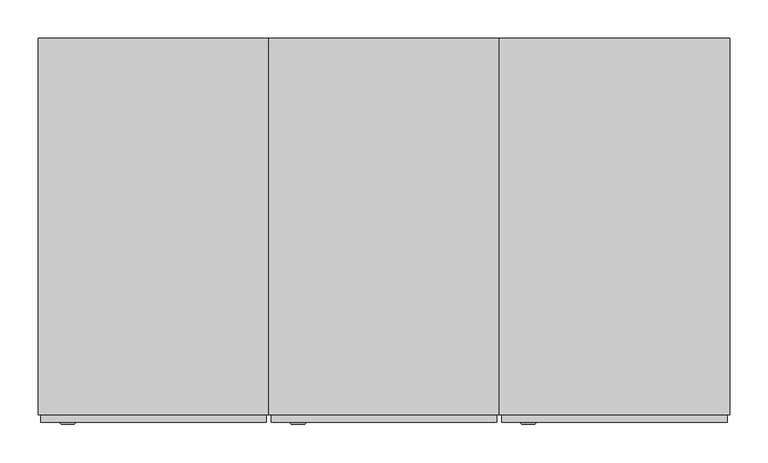
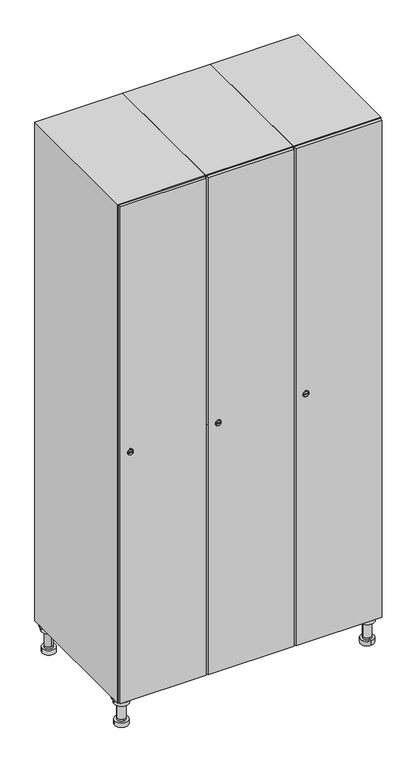
"""IFC4 building model written with IfcOpenShell, lengths in millimetres: furniture geometry."""

from ifc_helpers import new_model, si_unit, point, frame, frame_2d, origin, place, context, project, spatial, polyline, circle_curve, trimmed, segment, composite_curve, outline, extrude, faceted_brep, source, transform, mapped, element, save
from ifc_brep_helpers import plane_surface, cylinder_surface, revolved_surface, advanced_brep


def furniture_6ea72704(model_context):
    return source(origin(), model_context, "Body", "SolidModel", [
        advanced_brep(
        [(670.0, -201.0, 22.0), (670.0, -201.5, 16.0), (670.0, -228.5, 16.0), (670.0, -229.0, 22.0), (656.0, -215.0, 22.0), (684.0, -215.0, 22.0), (670.0, -192.5, 16.0), (670.0, -237.5, 16.0), (670.0, -192.5, 0.0), (670.0, -237.5, 0.0), (684.0, -215.0, 78.0), (656.0, -215.0, 78.0), (695.0, -215.0, 78.0), (645.0, -215.0, 78.0), (700.0, -215.0, 94.0), (640.0, -215.0, 94.0), (645.0, -215.0, 94.0), (695.0, -215.0, 94.0), (700.0, -215.0, 100.0), (640.0, -215.0, 100.0)],
        [
            (0, 1),
            (1, 2, circle_curve(frame((670.0, -215.0, 16.0), z_axis=(0.0, 0.0, 1.0), x_axis=(0.0, -1.0, 0.0)), 13.5)),
            (2, 3),
            (3, 4, circle_curve(frame((670.0, -215.0, 22.0), z_axis=(0.0, 0.0, -1.0), x_axis=(0.0, -1.0, 0.0)), 14.0)),
            (4, 0, circle_curve(frame((670.0, -215.0, 22.0), z_axis=(0.0, 0.0, -1.0), x_axis=(0.0, -1.0, 0.0)), 14.0)),
            (0, 5, circle_curve(frame((670.0, -215.0, 22.0), z_axis=(0.0, 0.0, -1.0), x_axis=(0.0, 1.0, 0.0)), 14.0)),
            (5, 3, circle_curve(frame((670.0, -215.0, 22.0), z_axis=(0.0, 0.0, -1.0), x_axis=(0.0, 1.0, 0.0)), 14.0)),
            (2, 1, circle_curve(frame((670.0, -215.0, 16.0), z_axis=(0.0, 0.0, 1.0), x_axis=(0.0, 1.0, 0.0)), 13.5)),
            (6, 7, circle_curve(frame((670.0, -215.0, 16.0), z_axis=(0.0, 0.0, 1.0), x_axis=(0.0, -1.0, 0.0)), 22.5)),
            (7, 6, circle_curve(frame((670.0, -215.0, 16.0), z_axis=(0.0, 0.0, 1.0), x_axis=(0.0, -1.0, 0.0)), 22.5)),
            (8, 9, circle_curve(frame((670.0, -215.0, 0.0), z_axis=(0.0, 0.0, -1.0), x_axis=(0.0, -1.0, 0.0)), 22.5)),
            (9, 8, circle_curve(frame((670.0, -215.0, 0.0), z_axis=(0.0, 0.0, -1.0), x_axis=(0.0, -1.0, 0.0)), 22.5)),
            (6, 8),
            (9, 7),
            (5, 10),
            (10, 11, circle_curve(frame((670.0, -215.0, 78.0), z_axis=(0.0, 0.0, -1.0), x_axis=(-1.0, 0.0, 0.0)), 14.0)),
            (11, 4),
            (11, 10, circle_curve(frame((670.0, -215.0, 78.0), z_axis=(0.0, 0.0, -1.0), x_axis=(-1.0, 0.0, 0.0)), 14.0)),
            (12, 13, circle_curve(frame((670.0, -215.0, 78.0), z_axis=(0.0, 0.0, -1.0), x_axis=(-1.0, 0.0, 0.0)), 25.0)),
            (13, 12, circle_curve(frame((670.0, -215.0, 78.0), z_axis=(0.0, 0.0, -1.0), x_axis=(-1.0, 0.0, 0.0)), 25.0)),
            (14, 15, circle_curve(frame((670.0, -215.0, 94.0), z_axis=(0.0, 0.0, -1.0), x_axis=(-1.0, 0.0, 0.0)), 30.0)),
            (15, 14, circle_curve(frame((670.0, -215.0, 94.0), z_axis=(0.0, 0.0, -1.0), x_axis=(-1.0, 0.0, 0.0)), 30.0)),
            (16, 17, circle_curve(frame((670.0, -215.0, 94.0), z_axis=(0.0, 0.0, 1.0), x_axis=(-1.0, 0.0, 0.0)), 25.0)),
            (17, 16, circle_curve(frame((670.0, -215.0, 94.0), z_axis=(0.0, 0.0, 1.0), x_axis=(-1.0, 0.0, 0.0)), 25.0)),
            (18, 19, circle_curve(frame((670.0, -215.0, 100.0), z_axis=(0.0, 0.0, 1.0), x_axis=(-1.0, 0.0, 0.0)), 30.0)),
            (19, 18, circle_curve(frame((670.0, -215.0, 100.0), z_axis=(0.0, 0.0, 1.0), x_axis=(-1.0, 0.0, 0.0)), 30.0)),
            (14, 18),
            (19, 15),
            (12, 17),
            (16, 13),
        ],
        [
            revolved_surface(polyline([(670.0, -201.5, 16.0), (670.0, -201.0, 22.0)]), (670.0, -215.0, -146.0), (0.0, 0.0, 1.0)),
            plane_surface(frame((670.0, 0.0, 16.0), z_axis=(0.0, 0.0, 1.0), x_axis=(0.0, -1.0, 0.0))),
            plane_surface(frame((670.0, 0.0, 0.0), z_axis=(0.0, 0.0, -1.0), x_axis=(0.0, -1.0, 0.0))),
            cylinder_surface(frame((670.0, -215.0, 16.0), z_axis=(0.0, 0.0, 1.0), x_axis=(0.0, -1.0, 0.0)), 22.5),
            cylinder_surface(frame((670.0, -215.0, 22.0), z_axis=(0.0, 0.0, -1.0), x_axis=(-1.0, 0.0, 0.0)), 14.0),
            plane_surface(frame((670.0, 0.0, 78.0), z_axis=(0.0, 0.0, -1.0), x_axis=(0.0, -1.0, 0.0))),
            plane_surface(frame((670.0, 0.0, 94.0), z_axis=(0.0, 0.0, -1.0), x_axis=(0.0, -1.0, 0.0))),
            plane_surface(frame((670.0, 0.0, 100.0), z_axis=(0.0, 0.0, 1.0), x_axis=(0.0, -1.0, 0.0))),
            cylinder_surface(frame((670.0, -215.0, 94.0), z_axis=(0.0, 0.0, -1.0), x_axis=(-1.0, 0.0, 0.0)), 30.0),
            cylinder_surface(frame((670.0, -215.0, 78.0), z_axis=(0.0, 0.0, -1.0), x_axis=(-1.0, 0.0, 0.0)), 25.0),
        ],
        [
            (0, [[1, 2, 3, 4, 5]]),
            (0, [[-1, 6, 7, -3, 8]]),
            (1, [[9, 10], [-2, -8]]),
            (2, [[11, 12]]),
            (3, [[-9, 13, -12, 14]]),
            (3, [[-10, -14, -11, -13]]),
            (4, [[15, 16, 17, -4, -7]]),
            (4, [[-15, -6, -5, -17, 18]]),
            (5, [[19, 20], [-16, -18]]),
            (6, [[21, 22], [23, 24]]),
            (7, [[25, 26]]),
            (8, [[-21, 27, -26, 28]]),
            (8, [[-22, -28, -25, -27]]),
            (9, [[-19, 29, -23, 30]]),
            (9, [[-20, -30, -24, -29]]),
        ],
    ),
        advanced_brep(
        [(-170.0, -201.0, 22.0), (-170.0, -201.5, 16.0), (-170.0, -228.5, 16.0), (-170.0, -229.0, 22.0), (-184.0, -215.0, 22.0), (-156.0, -215.0, 22.0), (-147.5, -215.0, 0.0), (-192.5, -215.0, 0.0), (-147.5, -215.0, 16.0), (-192.5, -215.0, 16.0), (-156.0, -215.0, 78.0), (-184.0, -215.0, 78.0), (-145.0, -215.0, 78.0), (-195.0, -215.0, 78.0), (-140.0, -215.0, 94.0), (-200.0, -215.0, 94.0), (-195.0, -215.0, 94.0), (-145.0, -215.0, 94.0), (-140.0, -215.0, 100.0), (-200.0, -215.0, 100.0)],
        [
            (0, 1),
            (1, 2, circle_curve(frame((-170.0, -215.0, 16.0), z_axis=(0.0, 0.0, 1.0), x_axis=(0.0, -1.0, 0.0)), 13.5)),
            (2, 3),
            (3, 4, circle_curve(frame((-170.0, -215.0, 22.0), z_axis=(0.0, 0.0, -1.0), x_axis=(0.0, -1.0, 0.0)), 14.0)),
            (4, 0, circle_curve(frame((-170.0, -215.0, 22.0), z_axis=(0.0, 0.0, -1.0), x_axis=(0.0, -1.0, 0.0)), 14.0)),
            (0, 5, circle_curve(frame((-170.0, -215.0, 22.0), z_axis=(0.0, 0.0, -1.0), x_axis=(0.0, 1.0, 0.0)), 14.0)),
            (5, 3, circle_curve(frame((-170.0, -215.0, 22.0), z_axis=(0.0, 0.0, -1.0), x_axis=(0.0, 1.0, 0.0)), 14.0)),
            (2, 1, circle_curve(frame((-170.0, -215.0, 16.0), z_axis=(0.0, 0.0, 1.0), x_axis=(0.0, 1.0, 0.0)), 13.5)),
            (6, 7, circle_curve(frame((-170.0, -215.0, 0.0), z_axis=(0.0, 0.0, -1.0), x_axis=(-1.0, 0.0, 0.0)), 22.5)),
            (7, 6, circle_curve(frame((-170.0, -215.0, 0.0), z_axis=(0.0, 0.0, -1.0), x_axis=(-1.0, 0.0, 0.0)), 22.5)),
            (8, 9, circle_curve(frame((-170.0, -215.0, 16.0), z_axis=(0.0, 0.0, 1.0), x_axis=(-1.0, 0.0, 0.0)), 22.5)),
            (9, 8, circle_curve(frame((-170.0, -215.0, 16.0), z_axis=(0.0, 0.0, 1.0), x_axis=(-1.0, 0.0, 0.0)), 22.5)),
            (6, 8),
            (9, 7),
            (5, 10),
            (10, 11, circle_curve(frame((-170.0, -215.0, 78.0), z_axis=(0.0, 0.0, -1.0), x_axis=(-1.0, 0.0, 0.0)), 14.0)),
            (11, 4),
            (11, 10, circle_curve(frame((-170.0, -215.0, 78.0), z_axis=(0.0, 0.0, -1.0), x_axis=(-1.0, 0.0, 0.0)), 14.0)),
            (12, 13, circle_curve(frame((-170.0, -215.0, 78.0), z_axis=(0.0, 0.0, -1.0), x_axis=(-1.0, 0.0, 0.0)), 25.0)),
            (13, 12, circle_curve(frame((-170.0, -215.0, 78.0), z_axis=(0.0, 0.0, -1.0), x_axis=(-1.0, 0.0, 0.0)), 25.0)),
            (14, 15, circle_curve(frame((-170.0, -215.0, 94.0), z_axis=(0.0, 0.0, -1.0), x_axis=(-1.0, 0.0, 0.0)), 30.0)),
            (15, 14, circle_curve(frame((-170.0, -215.0, 94.0), z_axis=(0.0, 0.0, -1.0), x_axis=(-1.0, 0.0, 0.0)), 30.0)),
            (16, 17, circle_curve(frame((-170.0, -215.0, 94.0), z_axis=(0.0, 0.0, 1.0), x_axis=(-1.0, 0.0, 0.0)), 25.0)),
            (17, 16, circle_curve(frame((-170.0, -215.0, 94.0), z_axis=(0.0, 0.0, 1.0), x_axis=(-1.0, 0.0, 0.0)), 25.0)),
            (18, 19, circle_curve(frame((-170.0, -215.0, 100.0), z_axis=(0.0, 0.0, 1.0), x_axis=(-1.0, 0.0, 0.0)), 30.0)),
            (19, 18, circle_curve(frame((-170.0, -215.0, 100.0), z_axis=(0.0, 0.0, 1.0), x_axis=(-1.0, 0.0, 0.0)), 30.0)),
            (14, 18),
            (19, 15),
            (12, 17),
            (16, 13),
        ],
        [
            revolved_surface(polyline([(-170.0, -201.5, 16.0), (-170.0, -201.0, 22.0)]), (-170.0, -215.0, -146.0), (0.0, 0.0, 1.0)),
            plane_surface(frame((-170.0, 0.0, 0.0), z_axis=(0.0, 0.0, -1.0), x_axis=(0.0, -1.0, 0.0))),
            plane_surface(frame((-170.0, 0.0, 16.0), z_axis=(0.0, 0.0, 1.0), x_axis=(0.0, -1.0, 0.0))),
            cylinder_surface(frame((-170.0, -215.0, 0.0), z_axis=(0.0, 0.0, -1.0), x_axis=(-1.0, 0.0, 0.0)), 22.5),
            cylinder_surface(frame((-170.0, -215.0, 22.0), z_axis=(0.0, 0.0, -1.0), x_axis=(-1.0, 0.0, 0.0)), 14.0),
            plane_surface(frame((-170.0, 0.0, 78.0), z_axis=(0.0, 0.0, -1.0), x_axis=(0.0, -1.0, 0.0))),
            plane_surface(frame((-170.0, 0.0, 94.0), z_axis=(0.0, 0.0, -1.0), x_axis=(0.0, -1.0, 0.0))),
            plane_surface(frame((-170.0, 0.0, 100.0), z_axis=(0.0, 0.0, 1.0), x_axis=(0.0, -1.0, 0.0))),
            cylinder_surface(frame((-170.0, -215.0, 94.0), z_axis=(0.0, 0.0, -1.0), x_axis=(-1.0, 0.0, 0.0)), 30.0),
            cylinder_surface(frame((-170.0, -215.0, 78.0), z_axis=(0.0, 0.0, -1.0), x_axis=(-1.0, 0.0, 0.0)), 25.0),
        ],
        [
            (0, [[1, 2, 3, 4, 5]]),
            (0, [[-1, 6, 7, -3, 8]]),
            (1, [[9, 10]]),
            (2, [[11, 12], [-2, -8]]),
            (3, [[-9, 13, -12, 14]]),
            (3, [[-10, -14, -11, -13]]),
            (4, [[15, 16, 17, -4, -7]]),
            (4, [[-15, -6, -5, -17, 18]]),
            (5, [[19, 20], [-16, -18]]),
            (6, [[21, 22], [23, 24]]),
            (7, [[25, 26]]),
            (8, [[-21, 27, -26, 28]]),
            (8, [[-22, -28, -25, -27]]),
            (9, [[-19, 29, -23, 30]]),
            (9, [[-20, -30, -24, -29]]),
        ],
    ),
        advanced_brep(
        [(683.5, 215.0, 16.0), (684.0, 215.0, 22.0), (656.0, 215.0, 22.0), (656.5, 215.0, 16.0), (692.5, 215.0, 0.0), (647.5, 215.0, 0.0), (692.5, 215.0, 16.0), (647.5, 215.0, 16.0), (684.0, 215.0, 78.0), (656.0, 215.0, 78.0), (695.0, 215.0, 78.0), (645.0, 215.0, 78.0), (700.0, 215.0, 94.0), (640.0, 215.0, 94.0), (645.0, 215.0, 94.0), (695.0, 215.0, 94.0), (700.0, 215.0, 100.0), (640.0, 215.0, 100.0)],
        [
            (0, 1),
            (1, 2, circle_curve(frame((670.0, 215.0, 22.0), z_axis=(0.0, 0.0, -1.0), x_axis=(-1.0, 0.0, 0.0)), 14.0)),
            (2, 3),
            (3, 0, circle_curve(frame((670.0, 215.0, 16.0), z_axis=(0.0, 0.0, 1.0), x_axis=(-1.0, 0.0, 0.0)), 13.5)),
            (0, 3, circle_curve(frame((670.0, 215.0, 16.0), z_axis=(0.0, 0.0, 1.0), x_axis=(1.0, 0.0, 0.0)), 13.5)),
            (2, 1, circle_curve(frame((670.0, 215.0, 22.0), z_axis=(0.0, 0.0, -1.0), x_axis=(1.0, 0.0, 0.0)), 14.0)),
            (4, 5, circle_curve(frame((670.0, 215.0, 0.0), z_axis=(0.0, 0.0, -1.0), x_axis=(-1.0, 0.0, 0.0)), 22.5)),
            (5, 4, circle_curve(frame((670.0, 215.0, 0.0), z_axis=(0.0, 0.0, -1.0), x_axis=(-1.0, 0.0, 0.0)), 22.5)),
            (6, 7, circle_curve(frame((670.0, 215.0, 16.0), z_axis=(0.0, 0.0, 1.0), x_axis=(-1.0, 0.0, 0.0)), 22.5)),
            (7, 6, circle_curve(frame((670.0, 215.0, 16.0), z_axis=(0.0, 0.0, 1.0), x_axis=(-1.0, 0.0, 0.0)), 22.5)),
            (4, 6),
            (7, 5),
            (1, 8),
            (8, 9, circle_curve(frame((670.0, 215.0, 78.0), z_axis=(0.0, 0.0, -1.0), x_axis=(-1.0, 0.0, 0.0)), 14.0)),
            (9, 2),
            (9, 8, circle_curve(frame((670.0, 215.0, 78.0), z_axis=(0.0, 0.0, -1.0), x_axis=(-1.0, 0.0, 0.0)), 14.0)),
            (10, 11, circle_curve(frame((670.0, 215.0, 78.0), z_axis=(0.0, 0.0, -1.0), x_axis=(-1.0, 0.0, 0.0)), 25.0)),
            (11, 10, circle_curve(frame((670.0, 215.0, 78.0), z_axis=(0.0, 0.0, -1.0), x_axis=(-1.0, 0.0, 0.0)), 25.0)),
            (12, 13, circle_curve(frame((670.0, 215.0, 94.0), z_axis=(0.0, 0.0, -1.0), x_axis=(-1.0, 0.0, 0.0)), 30.0)),
            (13, 12, circle_curve(frame((670.0, 215.0, 94.0), z_axis=(0.0, 0.0, -1.0), x_axis=(-1.0, 0.0, 0.0)), 30.0)),
            (14, 15, circle_curve(frame((670.0, 215.0, 94.0), z_axis=(0.0, 0.0, 1.0), x_axis=(-1.0, 0.0, 0.0)), 25.0)),
            (15, 14, circle_curve(frame((670.0, 215.0, 94.0), z_axis=(0.0, 0.0, 1.0), x_axis=(-1.0, 0.0, 0.0)), 25.0)),
            (16, 17, circle_curve(frame((670.0, 215.0, 100.0), z_axis=(0.0, 0.0, 1.0), x_axis=(-1.0, 0.0, 0.0)), 30.0)),
            (17, 16, circle_curve(frame((670.0, 215.0, 100.0), z_axis=(0.0, 0.0, 1.0), x_axis=(-1.0, 0.0, 0.0)), 30.0)),
            (12, 16),
            (17, 13),
            (10, 15),
            (14, 11),
        ],
        [
            revolved_surface(polyline([(683.5, 215.0, 16.0), (684.0, 215.0, 22.0)]), (670.0, 215.0, -146.0), (0.0, 0.0, 1.0)),
            plane_surface(frame((670.0, 0.0, 0.0), z_axis=(0.0, 0.0, -1.0), x_axis=(0.0, -1.0, 0.0))),
            plane_surface(frame((670.0, 0.0, 16.0), z_axis=(0.0, 0.0, 1.0), x_axis=(0.0, -1.0, 0.0))),
            cylinder_surface(frame((670.0, 215.0, 0.0), z_axis=(0.0, 0.0, -1.0), x_axis=(-1.0, 0.0, 0.0)), 22.5),
            cylinder_surface(frame((670.0, 215.0, 22.0), z_axis=(0.0, 0.0, -1.0), x_axis=(-1.0, 0.0, 0.0)), 14.0),
            plane_surface(frame((670.0, 0.0, 78.0), z_axis=(0.0, 0.0, -1.0), x_axis=(0.0, -1.0, 0.0))),
            plane_surface(frame((670.0, 0.0, 94.0), z_axis=(0.0, 0.0, -1.0), x_axis=(0.0, -1.0, 0.0))),
            plane_surface(frame((670.0, 0.0, 100.0), z_axis=(0.0, 0.0, 1.0), x_axis=(0.0, -1.0, 0.0))),
            cylinder_surface(frame((670.0, 215.0, 94.0), z_axis=(0.0, 0.0, -1.0), x_axis=(-1.0, 0.0, 0.0)), 30.0),
            cylinder_surface(frame((670.0, 215.0, 78.0), z_axis=(0.0, 0.0, -1.0), x_axis=(-1.0, 0.0, 0.0)), 25.0),
        ],
        [
            (0, [[1, 2, 3, 4]]),
            (0, [[-1, 5, -3, 6]]),
            (1, [[7, 8]]),
            (2, [[9, 10], [-4, -5]]),
            (3, [[-7, 11, -10, 12]]),
            (3, [[-8, -12, -9, -11]]),
            (4, [[13, 14, 15, -2]]),
            (4, [[-13, -6, -15, 16]]),
            (5, [[17, 18], [-14, -16]]),
            (6, [[19, 20], [21, 22]]),
            (7, [[23, 24]]),
            (8, [[-19, 25, -24, 26]]),
            (8, [[-20, -26, -23, -25]]),
            (9, [[-17, 27, -21, 28]]),
            (9, [[-18, -28, -22, -27]]),
        ],
    ),
        advanced_brep(
        [(-156.5, 215.0, 16.0), (-156.0, 215.0, 22.0), (-170.0, 201.0, 22.0), (-184.0, 215.0, 22.0), (-183.5, 215.0, 16.0), (-170.0, 229.0, 22.0), (-147.5, 215.0, 0.0), (-192.5, 215.0, 0.0), (-147.5, 215.0, 16.0), (-192.5, 215.0, 16.0), (-170.0, 229.0, 78.0), (-170.0, 201.0, 78.0), (-145.0, 215.0, 78.0), (-195.0, 215.0, 78.0), (-140.0, 215.0, 94.0), (-200.0, 215.0, 94.0), (-195.0, 215.0, 94.0), (-145.0, 215.0, 94.0), (-140.0, 215.0, 100.0), (-200.0, 215.0, 100.0)],
        [
            (0, 1),
            (1, 2, circle_curve(frame((-170.0, 215.0, 22.0), z_axis=(0.0, 0.0, -1.0), x_axis=(-1.0, 0.0, 0.0)), 14.0)),
            (2, 3, circle_curve(frame((-170.0, 215.0, 22.0), z_axis=(0.0, 0.0, -1.0), x_axis=(-1.0, 0.0, 0.0)), 14.0)),
            (3, 4),
            (4, 0, circle_curve(frame((-170.0, 215.0, 16.0), z_axis=(0.0, 0.0, 1.0), x_axis=(-1.0, 0.0, 0.0)), 13.5)),
            (0, 4, circle_curve(frame((-170.0, 215.0, 16.0), z_axis=(0.0, 0.0, 1.0), x_axis=(1.0, 0.0, 0.0)), 13.5)),
            (3, 5, circle_curve(frame((-170.0, 215.0, 22.0), z_axis=(0.0, 0.0, -1.0), x_axis=(1.0, 0.0, 0.0)), 14.0)),
            (5, 1, circle_curve(frame((-170.0, 215.0, 22.0), z_axis=(0.0, 0.0, -1.0), x_axis=(1.0, 0.0, 0.0)), 14.0)),
            (6, 7, circle_curve(frame((-170.0, 215.0, 0.0), z_axis=(0.0, 0.0, -1.0), x_axis=(-1.0, 0.0, 0.0)), 22.5)),
            (7, 6, circle_curve(frame((-170.0, 215.0, 0.0), z_axis=(0.0, 0.0, -1.0), x_axis=(-1.0, 0.0, 0.0)), 22.5)),
            (8, 9, circle_curve(frame((-170.0, 215.0, 16.0), z_axis=(0.0, 0.0, 1.0), x_axis=(-1.0, 0.0, 0.0)), 22.5)),
            (9, 8, circle_curve(frame((-170.0, 215.0, 16.0), z_axis=(0.0, 0.0, 1.0), x_axis=(-1.0, 0.0, 0.0)), 22.5)),
            (6, 8),
            (9, 7),
            (10, 5),
            (2, 11),
            (11, 10, circle_curve(frame((-170.0, 215.0, 78.0), z_axis=(0.0, 0.0, -1.0), x_axis=(0.0, -1.0, 0.0)), 14.0)),
            (10, 11, circle_curve(frame((-170.0, 215.0, 78.0), z_axis=(0.0, 0.0, -1.0), x_axis=(0.0, -1.0, 0.0)), 14.0)),
            (12, 13, circle_curve(frame((-170.0, 215.0, 78.0), z_axis=(0.0, 0.0, -1.0), x_axis=(-1.0, 0.0, 0.0)), 25.0)),
            (13, 12, circle_curve(frame((-170.0, 215.0, 78.0), z_axis=(0.0, 0.0, -1.0), x_axis=(-1.0, 0.0, 0.0)), 25.0)),
            (14, 15, circle_curve(frame((-170.0, 215.0, 94.0), z_axis=(0.0, 0.0, -1.0), x_axis=(-1.0, 0.0, 0.0)), 30.0)),
            (15, 14, circle_curve(frame((-170.0, 215.0, 94.0), z_axis=(0.0, 0.0, -1.0), x_axis=(-1.0, 0.0, 0.0)), 30.0)),
            (16, 17, circle_curve(frame((-170.0, 215.0, 94.0), z_axis=(0.0, 0.0, 1.0), x_axis=(-1.0, 0.0, 0.0)), 25.0)),
            (17, 16, circle_curve(frame((-170.0, 215.0, 94.0), z_axis=(0.0, 0.0, 1.0), x_axis=(-1.0, 0.0, 0.0)), 25.0)),
            (18, 19, circle_curve(frame((-170.0, 215.0, 100.0), z_axis=(0.0, 0.0, 1.0), x_axis=(-1.0, 0.0, 0.0)), 30.0)),
            (19, 18, circle_curve(frame((-170.0, 215.0, 100.0), z_axis=(0.0, 0.0, 1.0), x_axis=(-1.0, 0.0, 0.0)), 30.0)),
            (14, 18),
            (19, 15),
            (12, 17),
            (16, 13),
        ],
        [
            revolved_surface(polyline([(-156.5, 215.0, 16.0), (-156.0, 215.0, 22.0)]), (-170.0, 215.0, -146.0), (0.0, 0.0, 1.0)),
            plane_surface(frame((-170.0, 0.0, 0.0), z_axis=(0.0, 0.0, -1.0), x_axis=(0.0, -1.0, 0.0))),
            plane_surface(frame((-170.0, 0.0, 16.0), z_axis=(0.0, 0.0, 1.0), x_axis=(0.0, -1.0, 0.0))),
            cylinder_surface(frame((-170.0, 215.0, 0.0), z_axis=(0.0, 0.0, -1.0), x_axis=(-1.0, 0.0, 0.0)), 22.5),
            cylinder_surface(frame((-170.0, 215.0, 78.0), z_axis=(0.0, 0.0, 1.0), x_axis=(0.0, -1.0, 0.0)), 14.0),
            plane_surface(frame((-170.0, 0.0, 78.0), z_axis=(0.0, 0.0, -1.0), x_axis=(0.0, -1.0, 0.0))),
            plane_surface(frame((-170.0, 0.0, 94.0), z_axis=(0.0, 0.0, -1.0), x_axis=(0.0, -1.0, 0.0))),
            plane_surface(frame((-170.0, 0.0, 100.0), z_axis=(0.0, 0.0, 1.0), x_axis=(0.0, -1.0, 0.0))),
            cylinder_surface(frame((-170.0, 215.0, 94.0), z_axis=(0.0, 0.0, -1.0), x_axis=(-1.0, 0.0, 0.0)), 30.0),
            cylinder_surface(frame((-170.0, 215.0, 78.0), z_axis=(0.0, 0.0, -1.0), x_axis=(-1.0, 0.0, 0.0)), 25.0),
        ],
        [
            (0, [[1, 2, 3, 4, 5]]),
            (0, [[-1, 6, -4, 7, 8]]),
            (1, [[9, 10]]),
            (2, [[11, 12], [-5, -6]]),
            (3, [[-9, 13, -12, 14]]),
            (3, [[-10, -14, -11, -13]]),
            (4, [[15, -7, -3, 16, 17]]),
            (4, [[-15, 18, -16, -2, -8]]),
            (5, [[19, 20], [-17, -18]]),
            (6, [[21, 22], [23, 24]]),
            (7, [[25, 26]]),
            (8, [[-21, 27, -26, 28]]),
            (8, [[-22, -28, -25, -27]]),
            (9, [[-19, 29, -23, 30]]),
            (9, [[-20, -30, -24, -29]]),
        ],
    ),
        extrude(outline(composite_curve([segment(trimmed(circle_curve(frame_2d((1000.0, 411.2010534)), 7.0), [point((1007.0, 411.2010534))], [point((993.0, 411.2010534))], False, "CARTESIAN"), True, "CONTINUOUS"), segment(polyline([(993.0, 411.2010534), (993.0, 439.2010534)]), True, "CONTINUOUS"), segment(trimmed(circle_curve(frame_2d((1000.0, 439.2010534)), 7.0), [point((993.0, 439.2010534))], [point((1007.0, 439.2010534))], False, "CARTESIAN"), True, "CONTINUOUS"), segment(polyline([(1007.0, 439.2010534), (1007.0, 411.2010534)]), True, "CONTINUOUS")], self_intersect=False)), frame((0.0, -245.0, 0.0), z_axis=(0.0, 1.0, 0.0), x_axis=(0.0, 0.0, 1.0)), (0.0, 0.0, 1.0), 2.0),
        advanced_brep(
        [(446.5, -257.2, 1000.0), (429.5, -257.2, 1000.0), (433.0, -257.2, 998.75), (433.0, -257.2, 1001.25), (443.0, -257.2, 1001.25), (443.0, -257.2, 998.75), (448.5, -255.0, 1000.0), (427.5, -255.0, 1000.0), (433.0, -255.0, 1001.25), (433.0, -255.0, 998.75), (443.0, -255.0, 998.75), (443.0, -255.0, 1001.25)],
        [
            (0, 1, circle_curve(frame((438.0, -257.2, 1000.0), z_axis=(0.0, -1.0, 0.0), x_axis=(1.0, 0.0, 0.0)), 8.5)),
            (1, 0, circle_curve(frame((438.0, -257.2, 1000.0), z_axis=(0.0, -1.0, 0.0), x_axis=(-1.0, 0.0, 0.0)), 8.5)),
            (2, 3),
            (3, 4),
            (4, 5),
            (5, 2),
            (6, 7, circle_curve(frame((438.0, -255.0, 1000.0), z_axis=(0.0, 1.0, 0.0), x_axis=(-1.0, 0.0, 0.0)), 10.5)),
            (7, 6, circle_curve(frame((438.0, -255.0, 1000.0), z_axis=(0.0, 1.0, 0.0), x_axis=(1.0, 0.0, 0.0)), 10.5)),
            (8, 9),
            (9, 10),
            (10, 11),
            (11, 8),
            (0, 6),
            (7, 1),
            (8, 3),
            (2, 9),
            (11, 4),
            (10, 5),
        ],
        [
            plane_surface(frame((438.0, -257.2, 1000.0), z_axis=(0.0, -1.0, 0.0), x_axis=(0.0, 0.0, 1.0))),
            plane_surface(frame((438.0, -255.0, 1000.0), z_axis=(0.0, 1.0, 0.0), x_axis=(0.0, 0.0, 1.0))),
            revolved_surface(polyline([(446.5, -257.2, 1000.0), (448.5, -255.0, 1000.0)]), (438.0, -266.55, 1000.0), (0.0, 1.0, 0.0)),
            revolved_surface(polyline([(429.5, -257.2, 1000.0), (427.5, -255.0, 1000.0)]), (438.0, -266.55, 1000.0), (0.0, 1.0, 0.0)),
            plane_surface(frame((433.0, -255.0, 998.75), z_axis=(1.0, 0.0, 0.0), x_axis=(0.0, -1.0, 0.0))),
            plane_surface(frame((433.0, -255.0, 1001.25), z_axis=(0.0, 0.0, -1.0), x_axis=(0.0, -1.0, 0.0))),
            plane_surface(frame((443.0, -255.0, 1001.25), z_axis=(-1.0, 0.0, 0.0), x_axis=(0.0, -1.0, 0.0))),
            plane_surface(frame((443.0, -255.0, 998.75), z_axis=(0.0, 0.0, 1.0), x_axis=(0.0, -1.0, 0.0))),
        ],
        [
            (0, [[1, 2], [3, 4, 5, 6]]),
            (1, [[7, 8], [9, 10, 11, 12]]),
            (2, [[-1, 13, -8, 14]]),
            (3, [[-2, -14, -7, -13]]),
            (4, [[15, -3, 16, -9]]),
            (5, [[-15, -12, 17, -4]]),
            (6, [[-17, -11, 18, -5]]),
            (7, [[-16, -6, -18, -10]]),
        ],
    ),
        extrude(outline(polyline([(697.0, -245.0), (697.0, -255.0), (403.0, -255.0), (403.0, -245.0), (697.0, -245.0)])), frame((0.0, 0.0, 103.0), z_axis=(0.0, 0.0, 1.0), x_axis=(1.0, 0.0, 0.0)), (0.0, 0.0, 1.0), 1794.0),
        faceted_brep([(700.0, -245.0, 100.0), (700.0, -245.0, 1900.0), (400.0, -245.0, 1900.0), (400.0, -245.0, 100.0), (690.0, -245.0, 1890.0), (690.0, -245.0, 110.0), (410.0, -245.0, 110.0), (410.0, -245.0, 1890.0), (700.0, 245.0, 100.0), (400.0, 245.0, 100.0), (700.0, 245.0, 1900.0), (400.0, 245.0, 1900.0), (690.0, 241.0, 1890.0), (690.0, 241.0, 110.0), (400.0, 245.0, 1890.0), (410.0, 241.0, 1890.0), (410.0, 241.0, 110.0)], [[[0, 1, 2, 3], [4, 5, 6, 7]], [[8, 0, 3, 9]], [[1, 0, 8, 10]], [[1, 10, 11, 2]], [[4, 12, 13, 5]], [[9, 3, 2, 11, 14]], [[10, 8, 9, 14, 11]], [[12, 15, 16, 13]], [[15, 7, 6, 16]], [[4, 7, 15, 12]], [[6, 5, 13, 16]]]),
        extrude(outline(composite_curve([segment(trimmed(circle_curve(frame_2d((1000.0, 111.2010534)), 7.0), [point((1007.0, 111.2010534))], [point((993.0, 111.2010534))], False, "CARTESIAN"), True, "CONTINUOUS"), segment(polyline([(993.0, 111.2010534), (993.0, 139.2010534)]), True, "CONTINUOUS"), segment(trimmed(circle_curve(frame_2d((1000.0, 139.2010534)), 7.0), [point((993.0, 139.2010534))], [point((1007.0, 139.2010534))], False, "CARTESIAN"), True, "CONTINUOUS"), segment(polyline([(1007.0, 139.2010534), (1007.0, 111.2010534)]), True, "CONTINUOUS")], self_intersect=False)), frame((0.0, -245.0, 0.0), z_axis=(0.0, 1.0, 0.0), x_axis=(0.0, 0.0, 1.0)), (0.0, 0.0, 1.0), 2.0),
        advanced_brep(
        [(146.5, -257.2, 1000.0), (129.5, -257.2, 1000.0), (133.0, -257.2, 998.75), (133.0, -257.2, 1001.25), (143.0, -257.2, 1001.25), (143.0, -257.2, 998.75), (148.5, -255.0, 1000.0), (127.5, -255.0, 1000.0), (133.0, -255.0, 1001.25), (133.0, -255.0, 998.75), (143.0, -255.0, 998.75), (143.0, -255.0, 1001.25)],
        [
            (0, 1, circle_curve(frame((138.0, -257.2, 1000.0), z_axis=(0.0, -1.0, 0.0), x_axis=(1.0, 0.0, 0.0)), 8.5)),
            (1, 0, circle_curve(frame((138.0, -257.2, 1000.0), z_axis=(0.0, -1.0, 0.0), x_axis=(-1.0, 0.0, 0.0)), 8.5)),
            (2, 3),
            (3, 4),
            (4, 5),
            (5, 2),
            (6, 7, circle_curve(frame((138.0, -255.0, 1000.0), z_axis=(0.0, 1.0, 0.0), x_axis=(-1.0, 0.0, 0.0)), 10.5)),
            (7, 6, circle_curve(frame((138.0, -255.0, 1000.0), z_axis=(0.0, 1.0, 0.0), x_axis=(1.0, 0.0, 0.0)), 10.5)),
            (8, 9),
            (9, 10),
            (10, 11),
            (11, 8),
            (0, 6),
            (7, 1),
            (8, 3),
            (2, 9),
            (11, 4),
            (10, 5),
        ],
        [
            plane_surface(frame((138.0, -257.2, 1000.0), z_axis=(0.0, -1.0, 0.0), x_axis=(0.0, 0.0, 1.0))),
            plane_surface(frame((138.0, -255.0, 1000.0), z_axis=(0.0, 1.0, 0.0), x_axis=(0.0, 0.0, 1.0))),
            revolved_surface(polyline([(146.5, -257.2, 1000.0), (148.5, -255.0, 1000.0)]), (138.0, -266.55, 1000.0), (0.0, 1.0, 0.0)),
            revolved_surface(polyline([(129.5, -257.2, 1000.0), (127.5, -255.0, 1000.0)]), (138.0, -266.55, 1000.0), (0.0, 1.0, 0.0)),
            plane_surface(frame((133.0, -255.0, 998.75), z_axis=(1.0, 0.0, 0.0), x_axis=(0.0, -1.0, 0.0))),
            plane_surface(frame((133.0, -255.0, 1001.25), z_axis=(0.0, 0.0, -1.0), x_axis=(0.0, -1.0, 0.0))),
            plane_surface(frame((143.0, -255.0, 1001.25), z_axis=(-1.0, 0.0, 0.0), x_axis=(0.0, -1.0, 0.0))),
            plane_surface(frame((143.0, -255.0, 998.75), z_axis=(0.0, 0.0, 1.0), x_axis=(0.0, -1.0, 0.0))),
        ],
        [
            (0, [[1, 2], [3, 4, 5, 6]]),
            (1, [[7, 8], [9, 10, 11, 12]]),
            (2, [[-1, 13, -8, 14]]),
            (3, [[-2, -14, -7, -13]]),
            (4, [[15, -3, 16, -9]]),
            (5, [[-15, -12, 17, -4]]),
            (6, [[-17, -11, 18, -5]]),
            (7, [[-16, -6, -18, -10]]),
        ],
    ),
        extrude(outline(polyline([(397.0, -245.0), (397.0, -255.0), (103.0, -255.0), (103.0, -245.0), (397.0, -245.0)])), frame((0.0, 0.0, 103.0), z_axis=(0.0, 0.0, 1.0), x_axis=(1.0, 0.0, 0.0)), (0.0, 0.0, 1.0), 1794.0),
        faceted_brep([(400.0, -245.0, 100.0), (400.0, -245.0, 1900.0), (100.0, -245.0, 1900.0), (100.0, -245.0, 100.0), (390.0, -245.0, 1890.0), (390.0, -245.0, 110.0), (110.0, -245.0, 110.0), (110.0, -245.0, 1890.0), (400.0, 245.0, 100.0), (100.0, 245.0, 100.0), (400.0, 245.0, 1900.0), (100.0, 245.0, 1900.0), (390.0, 241.0, 1890.0), (390.0, 241.0, 110.0), (100.0, 245.0, 1890.0), (110.0, 241.0, 1890.0), (110.0, 241.0, 110.0)], [[[0, 1, 2, 3], [4, 5, 6, 7]], [[8, 0, 3, 9]], [[1, 0, 8, 10]], [[1, 10, 11, 2]], [[4, 12, 13, 5]], [[9, 3, 2, 11, 14]], [[10, 8, 9, 14, 11]], [[12, 15, 16, 13]], [[15, 7, 6, 16]], [[4, 7, 15, 12]], [[6, 5, 13, 16]]]),
        extrude(outline(composite_curve([segment(trimmed(circle_curve(frame_2d((1000.0, -188.7989466)), 7.0), [point((1007.0, -188.7989466))], [point((993.0, -188.7989466))], False, "CARTESIAN"), True, "CONTINUOUS"), segment(polyline([(993.0, -188.7989466), (993.0, -160.7989466)]), True, "CONTINUOUS"), segment(trimmed(circle_curve(frame_2d((1000.0, -160.7989466)), 7.0), [point((993.0, -160.7989466))], [point((1007.0, -160.7989466))], False, "CARTESIAN"), True, "CONTINUOUS"), segment(polyline([(1007.0, -160.7989466), (1007.0, -188.7989466)]), True, "CONTINUOUS")], self_intersect=False)), frame((0.0, -245.0, 0.0), z_axis=(0.0, 1.0, 0.0), x_axis=(0.0, 0.0, 1.0)), (0.0, 0.0, 1.0), 2.0),
        advanced_brep(
        [(-153.5, -257.2, 1000.0), (-170.5, -257.2, 1000.0), (-167.0, -257.2, 998.75), (-167.0, -257.2, 1001.25), (-157.0, -257.2, 1001.25), (-157.0, -257.2, 998.75), (-151.5, -255.0, 1000.0), (-172.5, -255.0, 1000.0), (-167.0, -255.0, 1001.25), (-167.0, -255.0, 998.75), (-157.0, -255.0, 998.75), (-157.0, -255.0, 1001.25)],
        [
            (0, 1, circle_curve(frame((-162.0, -257.2, 1000.0), z_axis=(0.0, -1.0, 0.0), x_axis=(1.0, 0.0, 0.0)), 8.5)),
            (1, 0, circle_curve(frame((-162.0, -257.2, 1000.0), z_axis=(0.0, -1.0, 0.0), x_axis=(-1.0, 0.0, 0.0)), 8.5)),
            (2, 3),
            (3, 4),
            (4, 5),
            (5, 2),
            (6, 7, circle_curve(frame((-162.0, -255.0, 1000.0), z_axis=(0.0, 1.0, 0.0), x_axis=(-1.0, 0.0, 0.0)), 10.5)),
            (7, 6, circle_curve(frame((-162.0, -255.0, 1000.0), z_axis=(0.0, 1.0, 0.0), x_axis=(1.0, 0.0, 0.0)), 10.5)),
            (8, 9),
            (9, 10),
            (10, 11),
            (11, 8),
            (0, 6),
            (7, 1),
            (8, 3),
            (2, 9),
            (11, 4),
            (10, 5),
        ],
        [
            plane_surface(frame((-162.0, -257.2, 1000.0), z_axis=(0.0, -1.0, 0.0), x_axis=(0.0, 0.0, 1.0))),
            plane_surface(frame((-162.0, -255.0, 1000.0), z_axis=(0.0, 1.0, 0.0), x_axis=(0.0, 0.0, 1.0))),
            revolved_surface(polyline([(-153.5, -257.2, 1000.0), (-151.5, -255.0, 1000.0)]), (-162.0, -266.55, 1000.0), (0.0, 1.0, 0.0)),
            revolved_surface(polyline([(-170.5, -257.2, 1000.0), (-172.5, -255.0, 1000.0)]), (-162.0, -266.55, 1000.0), (0.0, 1.0, 0.0)),
            plane_surface(frame((-167.0, -255.0, 998.75), z_axis=(1.0, 0.0, 0.0), x_axis=(0.0, -1.0, 0.0))),
            plane_surface(frame((-167.0, -255.0, 1001.25), z_axis=(0.0, 0.0, -1.0), x_axis=(0.0, -1.0, 0.0))),
            plane_surface(frame((-157.0, -255.0, 1001.25), z_axis=(-1.0, 0.0, 0.0), x_axis=(0.0, -1.0, 0.0))),
            plane_surface(frame((-157.0, -255.0, 998.75), z_axis=(0.0, 0.0, 1.0), x_axis=(0.0, -1.0, 0.0))),
        ],
        [
            (0, [[1, 2], [3, 4, 5, 6]]),
            (1, [[7, 8], [9, 10, 11, 12]]),
            (2, [[-1, 13, -8, 14]]),
            (3, [[-2, -14, -7, -13]]),
            (4, [[15, -3, 16, -9]]),
            (5, [[-15, -12, 17, -4]]),
            (6, [[-17, -11, 18, -5]]),
            (7, [[-16, -6, -18, -10]]),
        ],
    ),
        extrude(outline(polyline([(97.0, -245.0), (97.0, -255.0), (-197.0, -255.0), (-197.0, -245.0), (97.0, -245.0)])), frame((0.0, 0.0, 103.0), z_axis=(0.0, 0.0, 1.0), x_axis=(1.0, 0.0, 0.0)), (0.0, 0.0, 1.0), 1794.0),
        faceted_brep([(100.0, -245.0, 100.0), (100.0, -245.0, 1900.0), (-200.0, -245.0, 1900.0), (-200.0, -245.0, 100.0), (90.0, -245.0, 1890.0), (90.0, -245.0, 110.0), (-190.0, -245.0, 110.0), (-190.0, -245.0, 1890.0), (100.0, 245.0, 100.0), (-200.0, 245.0, 100.0), (100.0, 245.0, 1900.0), (-200.0, 245.0, 1900.0), (90.0, 241.0, 1890.0), (90.0, 241.0, 110.0), (-200.0, 245.0, 1890.0), (-190.0, 241.0, 1890.0), (-190.0, 241.0, 110.0)], [[[0, 1, 2, 3], [4, 5, 6, 7]], [[8, 0, 3, 9]], [[1, 0, 8, 10]], [[1, 10, 11, 2]], [[4, 12, 13, 5]], [[9, 3, 2, 11, 14]], [[10, 8, 9, 14, 11]], [[12, 15, 16, 13]], [[15, 7, 6, 16]], [[4, 7, 15, 12]], [[6, 5, 13, 16]]]),
    ])


if __name__ == "__main__":
    model = new_model("IFC4")
    model_context = context("Model", 3, world=origin())
    ifc_project = project(units=[si_unit("LENGTHUNIT", "METRE", prefix="MILLI")], contexts=[model_context])
    site = spatial("IfcSite", under=ifc_project)
    building = spatial("IfcBuilding", under=site)
    placement = place(None, origin())
    furniture_shape = furniture_6ea72704(model_context)
    element("IfcFurniture", 1, at=placement, inside=building, context=model_context, shape_type="MappedRepresentation", body=[
        mapped(furniture_shape, transform((0.0, 0.0, 0.0), x_axis=(1.0, 0.0, 0.0), y_axis=(0.0, 1.0, 0.0), z_axis=(0.0, 0.0, 1.0))),
    ])
    save(model, "model.ifc")
